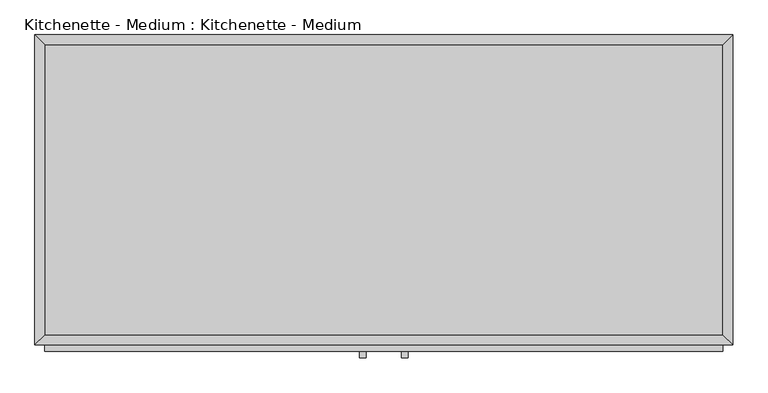
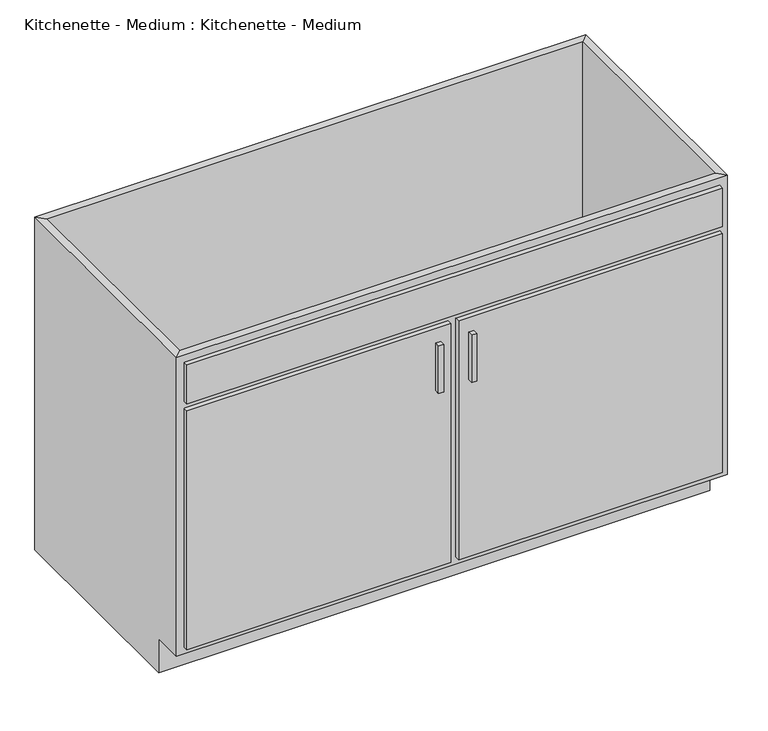
"""IFC4 building model written with IfcOpenShell, lengths in millimetres: proxy geometry, Kitchenette - Medium : Kitchenette - Medium."""

from ifc_helpers import new_model, si_unit, frame, origin, place, context, project, spatial, polyline, outline, extrude, faceted_brep, source, transform, mapped, element, save


def kitchenette_medium_kitchenette_medium_844211aa(model_context):
    return source(origin(), model_context, "Body", "SolidModel", [
        faceted_brep([(685.4877049, -590.55, 876.3), (685.4877049, -590.55, 88.9), (-648.0122951, -590.55, 88.9), (-648.0122951, -590.55, 876.3), (-667.0622951, -609.6, 876.3), (704.5377049, -609.6, 876.3), (-667.0622951, -609.6, 88.9), (704.5377049, -609.6, 88.9), (-648.0122951, -533.4, 88.9), (-648.0122951, -19.05, 88.9), (-648.0122951, -19.05, 876.3), (-667.0622951, 0.0, 876.3), (-667.0622951, 0.0, 0.0), (-667.0622951, -533.4, 0.0), (-667.0622951, -533.4, 88.9), (685.4877049, -19.05, 88.9), (685.4877049, -19.05, 876.3), (704.5377049, 0.0, 876.3), (704.5377049, 0.0, 0.0), (685.4877049, -533.4, 88.9), (704.5377049, -533.4, 88.9), (704.5377049, -533.4, 0.0)], [[[0, 1, 2, 3]], [[0, 3, 4, 5]], [[5, 4, 6, 7]], [[2, 1, 7, 6]], [[3, 2, 8, 9, 10]], [[4, 3, 10, 11]], [[6, 4, 11, 12, 13, 14]], [[2, 6, 14, 8]], [[10, 9, 15, 16]], [[11, 10, 16, 17]], [[12, 11, 17, 18]], [[1, 0, 16, 15, 19]], [[0, 5, 17, 16]], [[5, 7, 20, 21, 18, 17]], [[7, 1, 19, 20]], [[8, 19, 15, 9]], [[18, 21, 13, 12]], [[13, 21, 20, 19, 8, 14]]]),
        extrude(outline(polyline([(-16.1872951, -635.0), (-28.8872951, -635.0), (-28.8872951, -622.3), (-16.1872951, -622.3), (-16.1872951, -635.0)])), frame((0.0, 0.0, 573.769895), z_axis=(0.0, 0.0, 1.0), x_axis=(1.0, 0.0, 0.0)), (0.0, 0.0, 1.0), 124.730105),
        extrude(outline(polyline([(66.3627049, -635.0), (53.6627049, -635.0), (53.6627049, -622.3), (66.3627049, -622.3), (66.3627049, -635.0)])), frame((0.0, 0.0, 573.769895), z_axis=(0.0, 0.0, 1.0), x_axis=(1.0, 0.0, 0.0)), (0.0, 0.0, 1.0), 124.730105),
        extrude(outline(polyline([(685.4877049, -19.05), (685.4877049, -590.55), (-648.0122951, -590.55), (-648.0122951, -19.05), (685.4877049, -19.05)])), frame((0.0, 0.0, 88.9), z_axis=(0.0, 0.0, 1.0), x_axis=(1.0, 0.0, 0.0)), (0.0, 0.0, 1.0), 19.05),
        extrude(outline(polyline([(9.2127049, -622.3), (-648.0122951, -622.3), (-648.0122951, -609.6), (9.2127049, -609.6), (9.2127049, -622.3)])), frame((0.0, 0.0, 107.95), z_axis=(0.0, 0.0, 1.0), x_axis=(1.0, 0.0, 0.0)), (0.0, 0.0, 1.0), 628.65),
        extrude(outline(polyline([(685.4877049, -622.3), (28.2627049, -622.3), (28.2627049, -609.6), (685.4877049, -609.6), (685.4877049, -622.3)])), frame((0.0, 0.0, 107.95), z_axis=(0.0, 0.0, 1.0), x_axis=(1.0, 0.0, 0.0)), (0.0, 0.0, 1.0), 628.65),
        extrude(outline(polyline([(685.4877049, -622.3), (-648.0122951, -622.3), (-648.0122951, -609.6), (685.4877049, -609.6), (685.4877049, -622.3)])), frame((0.0, 0.0, 755.65), z_axis=(0.0, 0.0, 1.0), x_axis=(1.0, 0.0, 0.0)), (0.0, 0.0, 1.0), 101.6),
    ])


if __name__ == "__main__":
    model = new_model("IFC4")
    model_context = context("Model", 3, world=origin())
    ifc_project = project(units=[si_unit("LENGTHUNIT", "METRE", prefix="MILLI")], contexts=[model_context])
    site = spatial("IfcSite", under=ifc_project)
    building = spatial("IfcBuilding", under=site)
    placement = place(None, origin())
    kitchenette_medium_kitchenette_medium_shape = kitchenette_medium_kitchenette_medium_844211aa(model_context)
    element("IfcBuildingElementProxy", 1, Name="Kitchenette - Medium : Kitchenette - Medium", ObjectType="Kitchenette - Medium : Kitchenette - Medium", at=placement, inside=building, context=model_context, shape_type="MappedRepresentation", body=[
        mapped(kitchenette_medium_kitchenette_medium_shape, transform((0.0, 0.0, 0.0), x_axis=(1.0, 0.0, 0.0), y_axis=(0.0, 1.0, 0.0), z_axis=(0.0, 0.0, 1.0))),
    ])
    save(model, "model.ifc")
